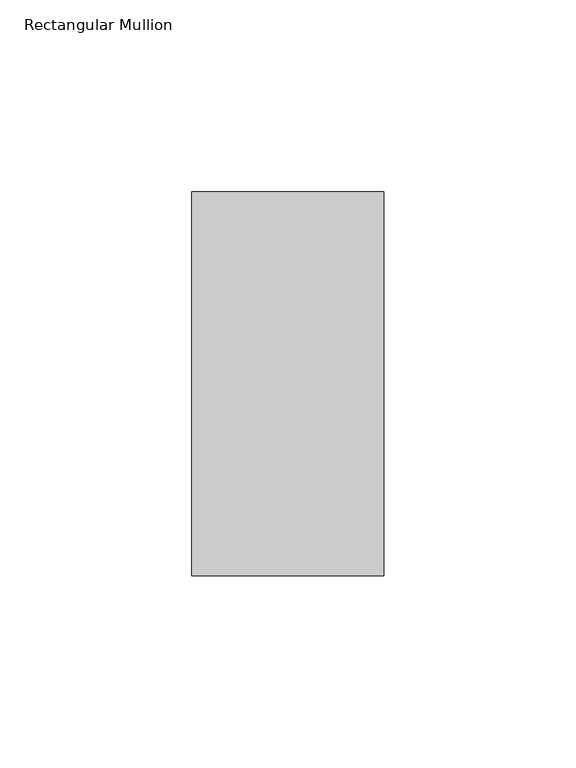
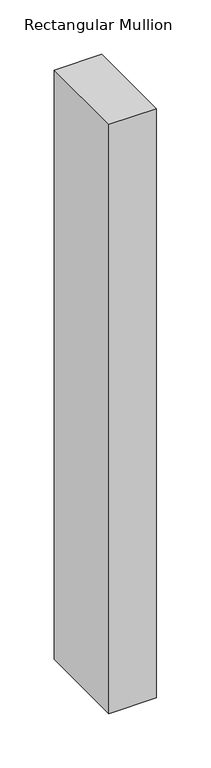
"""IFC4 building model written with IfcOpenShell, lengths in millimetres: member geometry, Rectangular Mullion."""

from ifc_helpers import new_model, si_unit, frame, origin, place, context, project, spatial, polyline, outline, extrude, source, transform, mapped, element, save


def rectangular_mullion_a2096f5a(model_context):
    return source(origin(), model_context, "Body", "SweptSolid", [
        extrude(outline(polyline([(0.0, 69.0), (0.0, -31.0), (-50.0, -31.0), (-50.0, 69.0), (0.0, 69.0)])), frame((0.0, 0.0, -660.0), z_axis=(0.0, 0.0, 1.0), x_axis=(1.0, 0.0, 0.0)), (0.0, 0.0, 1.0), 660.0),
    ])


if __name__ == "__main__":
    model = new_model("IFC4")
    model_context = context("Model", 3, world=origin())
    ifc_project = project(units=[si_unit("LENGTHUNIT", "METRE", prefix="MILLI")], contexts=[model_context])
    site = spatial("IfcSite", under=ifc_project)
    building = spatial("IfcBuilding", under=site)
    placement = place(None, origin())
    rectangular_mullion_shape = rectangular_mullion_a2096f5a(model_context)
    element("IfcMember", 1, ObjectType="Rectangular Mullion", at=placement, inside=building, context=model_context, shape_type="MappedRepresentation", body=[
        mapped(rectangular_mullion_shape, transform((0.0, 0.0, 0.0), x_axis=(1.0, 0.0, 0.0), y_axis=(0.0, 1.0, 0.0), z_axis=(0.0, 0.0, 1.0))),
    ])
    save(model, "model.ifc")
